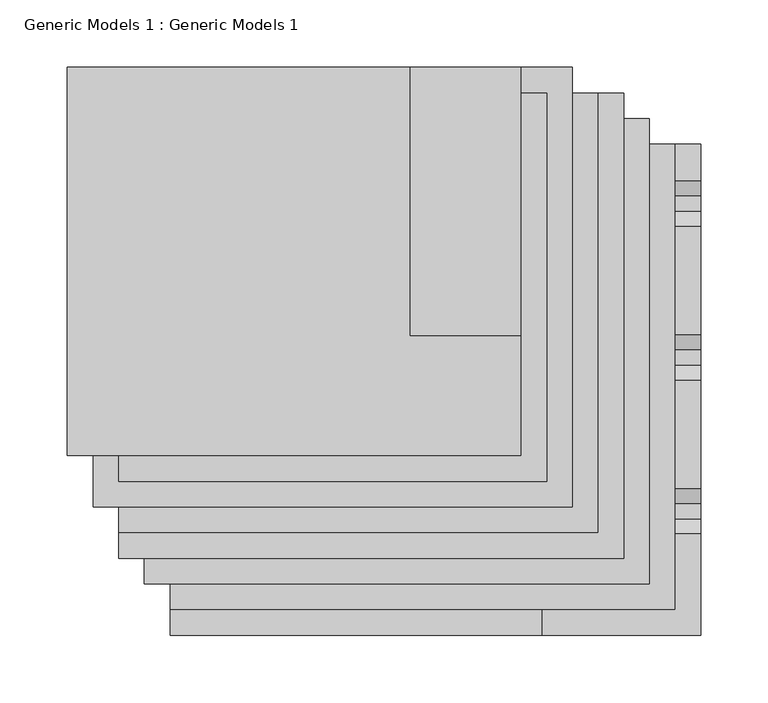
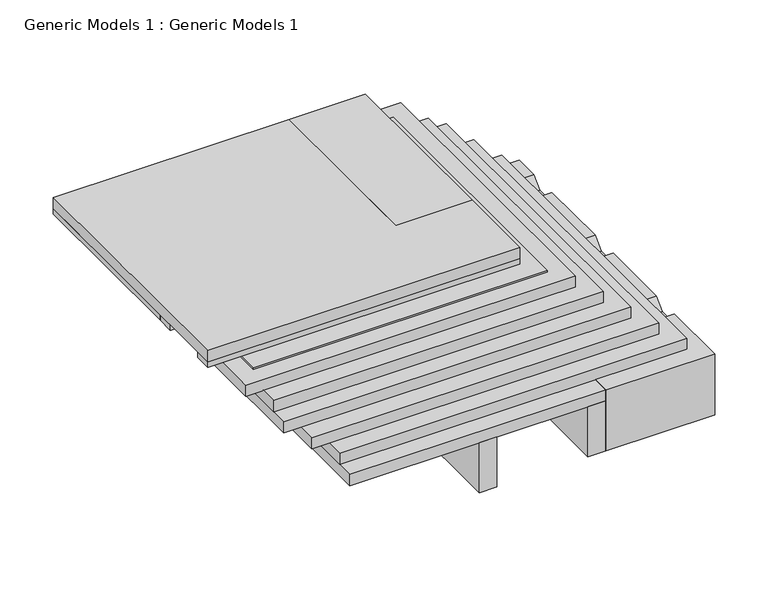
"""IFC4 building model written with IfcOpenShell, lengths in millimetres: proxy geometry, Generic Models 1 : Generic Models 1."""

from ifc_helpers import new_model, si_unit, frame, origin, place, context, project, spatial, polyline, outline, extrude, source, transform, mapped, element, save


def generic_models_1_generic_models_1_f8960073(model_context):
    return source(origin(), model_context, "Body", "SweptSolid", [
        extrude(outline(polyline([(-177.8, 133.35), (-177.8, 421.6788588), (76.2, 421.6788588), (76.2, 222.25), (158.75, 222.25), (158.75, 133.35), (-177.8, 133.35)])), frame((0.0, 0.0, 176.2125), z_axis=(0.0, 0.0, 1.0), x_axis=(1.0, 0.0, 0.0)), (0.0, 0.0, 1.0), 12.7),
        extrude(outline(polyline([(76.2, 421.6788588), (158.75, 421.6788588), (158.75, 222.25), (76.2, 222.25), (76.2, 421.6788588)])), frame((0.0, 0.0, 176.2125), z_axis=(0.0, 0.0, 1.0), x_axis=(1.0, 0.0, 0.0)), (0.0, 0.0, 1.0), 12.7),
        extrude(outline(polyline([(-177.8, 421.6788588), (158.75, 421.6788588), (158.75, 222.25), (-177.8, 222.25), (-177.8, 421.6788588)])), frame((0.0, 0.0, 169.8625), z_axis=(0.0, 0.0, 1.0), x_axis=(1.0, 0.0, 0.0)), (0.0, 0.0, 1.0), 6.35),
        extrude(outline(polyline([(-177.8, 222.25), (158.75, 222.25), (158.75, 203.2), (-177.8, 203.2), (-177.8, 222.25)])), frame((0.0, 0.0, 169.8625), z_axis=(0.0, 0.0, 1.0), x_axis=(1.0, 0.0, 0.0)), (0.0, 0.0, 1.0), 6.35),
        extrude(outline(polyline([(-177.8, 152.4), (158.75, 152.4), (158.75, 133.35), (-177.8, 133.35), (-177.8, 152.4)])), frame((0.0, 0.0, 169.8625), z_axis=(0.0, 0.0, 1.0), x_axis=(1.0, 0.0, 0.0)), (0.0, 0.0, 1.0), 6.35),
        extrude(outline(polyline([(-139.7, 402.6288588), (215.9, 402.6288588), (215.9, 76.2), (-139.7, 76.2), (-139.7, 402.6288588)])), frame((0.0, 0.0, 140.49375), z_axis=(0.0, 0.0, 1.0), x_axis=(1.0, 0.0, 0.0)), (0.0, 0.0, 1.0), 12.7),
        extrude(outline(polyline([(-139.7, 402.6288588), (234.95, 402.6288588), (234.95, 57.15), (-139.7, 57.15), (-139.7, 402.6288588)])), frame((0.0, 0.0, 127.79375), z_axis=(0.0, 0.0, 1.0), x_axis=(1.0, 0.0, 0.0)), (0.0, 0.0, 1.0), 12.7),
        extrude(outline(polyline([(-120.65, 383.5788588), (254.0, 383.5788588), (254.0, 38.1), (-120.65, 38.1), (-120.65, 383.5788588)])), frame((0.0, 0.0, 114.3), z_axis=(0.0, 0.0, 1.0), x_axis=(1.0, 0.0, 0.0)), (0.0, 0.0, 1.0), 12.7),
        extrude(outline(polyline([(228.670593, 44.45), (196.920593, 76.2), (201.410721, 76.2), (231.845593, 45.7651281), (262.2804649, 76.2), (266.770593, 76.2), (235.020593, 44.45), (228.670593, 44.45)])), frame((287.3375, 0.0, 0.0), z_axis=(1.0, 0.0, 0.0), x_axis=(0.0, 1.0, 0.0)), (0.0, 0.0, 1.0), 3.175),
        extrude(outline(polyline([(110.7911863, 44.45), (79.0411863, 76.2), (83.5313144, 76.2), (113.9661863, 45.7651281), (144.4010583, 76.2), (148.8911863, 76.2), (117.1411863, 44.45), (110.7911863, 44.45)])), frame((287.3375, 0.0, 0.0), z_axis=(1.0, 0.0, 0.0), x_axis=(0.0, 1.0, 0.0)), (0.0, 0.0, 1.0), 3.175),
        extrude(outline(polyline([(364.5288588, 88.9), (364.5288588, 76.2), (25.4, 76.2), (12.7, 88.9), (364.5288588, 88.9)])), frame((285.75, 0.0, 0.0), z_axis=(1.0, 0.0, 0.0), x_axis=(0.0, 1.0, 0.0)), (0.0, 0.0, 1.0), 6.35),
        extrude(outline(polyline([(364.5288588, 31.75), (69.85, 31.75), (57.15, 44.45), (364.5288588, 44.45), (364.5288588, 31.75)])), frame((285.75, 0.0, 0.0), z_axis=(1.0, 0.0, 0.0), x_axis=(0.0, 1.0, 0.0)), (0.0, 0.0, 1.0), 6.35),
        extrude(outline(polyline([(75.3364053, 101.6), (86.4489053, 90.4875), (97.8337772, 90.4875), (108.9462772, 101.6), (189.6364053, 101.6), (200.7489053, 90.4875), (212.1337772, 90.4875), (223.2462772, 101.6), (303.9364053, 101.6), (315.0489053, 90.4875), (326.4337772, 90.4875), (337.5462772, 101.6), (364.5288588, 101.6), (364.5288588, 100.0125), (338.2038412, 100.0125), (327.0913412, 88.9), (314.3913412, 88.9), (303.2788412, 100.0125), (223.9038412, 100.0125), (212.7913412, 88.9), (200.0913412, 88.9), (188.9788412, 100.0125), (109.6038412, 100.0125), (98.4913412, 88.9), (85.7913412, 88.9), (74.6788412, 100.0125), (1.5875, 100.0125), (0.0, 101.6), (75.3364053, 101.6)])), frame((174.625, 0.0, 0.0), z_axis=(1.0, 0.0, 0.0), x_axis=(0.0, 1.0, 0.0)), (0.0, 0.0, 1.0), 117.475),
        extrude(outline(polyline([(0.0, 31.75), (0.0, 101.6), (69.85, 31.75), (0.0, 31.75)])), frame((174.625, 0.0, 0.0), z_axis=(1.0, 0.0, 0.0), x_axis=(0.0, 1.0, 0.0)), (0.0, 0.0, 1.0), 117.475),
        extrude(outline(polyline([(-139.7, 402.6288588), (177.8, 402.6288588), (177.8, 114.3), (-139.7, 114.3), (-139.7, 402.6288588)])), frame((0.0, 0.0, 165.89375), z_axis=(0.0, 0.0, 1.0), x_axis=(1.0, 0.0, 0.0)), (0.0, 0.0, 1.0), 1.5875),
        extrude(outline(polyline([(-158.75, 421.6788588), (196.85, 421.6788588), (196.85, 95.25), (-158.75, 95.25), (-158.75, 421.6788588)])), frame((0.0, 0.0, 153.19375), z_axis=(0.0, 0.0, 1.0), x_axis=(1.0, 0.0, 0.0)), (0.0, 0.0, 1.0), 12.7),
        extrude(outline(polyline([(-101.6, 364.5288588), (273.05, 364.5288588), (273.05, 19.05), (-101.6, 19.05), (-101.6, 364.5288588)])), frame((0.0, 0.0, 101.6), z_axis=(0.0, 0.0, 1.0), x_axis=(1.0, 0.0, 0.0)), (0.0, 0.0, 1.0), 12.7),
        extrude(outline(polyline([(57.15, 0.0), (38.1, 0.0), (38.1, 261.3017557), (57.15, 261.3017557), (57.15, 0.0)])), frame((0.0, 0.0, 31.75), z_axis=(0.0, 0.0, 1.0), x_axis=(1.0, 0.0, 0.0)), (0.0, 0.0, 1.0), 57.15),
        extrude(outline(polyline([(174.625, 0.0), (155.575, 0.0), (155.575, 261.3017557), (174.625, 261.3017557), (174.625, 0.0)])), frame((0.0, 0.0, 31.75), z_axis=(0.0, 0.0, 1.0), x_axis=(1.0, 0.0, 0.0)), (0.0, 0.0, 1.0), 57.15),
        extrude(outline(polyline([(-101.6, 364.5288588), (174.625, 364.5288588), (174.625, 0.0), (-101.6, 0.0), (-101.6, 364.5288588)])), frame((0.0, 0.0, 88.9), z_axis=(0.0, 0.0, 1.0), x_axis=(1.0, 0.0, 0.0)), (0.0, 0.0, 1.0), 12.7),
    ])


if __name__ == "__main__":
    model = new_model("IFC4")
    model_context = context("Model", 3, world=origin())
    ifc_project = project(units=[si_unit("LENGTHUNIT", "METRE", prefix="MILLI")], contexts=[model_context])
    site = spatial("IfcSite", under=ifc_project)
    building = spatial("IfcBuilding", under=site)
    placement = place(None, origin())
    generic_models_1_generic_models_1_shape = generic_models_1_generic_models_1_f8960073(model_context)
    element("IfcBuildingElementProxy", 1, Name="Generic Models 1 : Generic Models 1", ObjectType="Generic Models 1 : Generic Models 1", at=placement, inside=building, context=model_context, shape_type="MappedRepresentation", body=[
        mapped(generic_models_1_generic_models_1_shape, transform((0.0, 0.0, 0.0), x_axis=(1.0, 0.0, 0.0), y_axis=(0.0, 1.0, 0.0), z_axis=(0.0, 0.0, 1.0))),
    ])
    save(model, "model.ifc")
